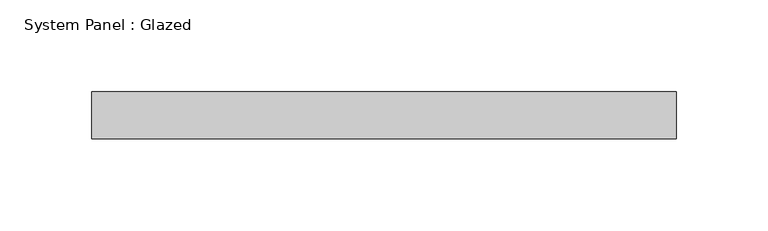
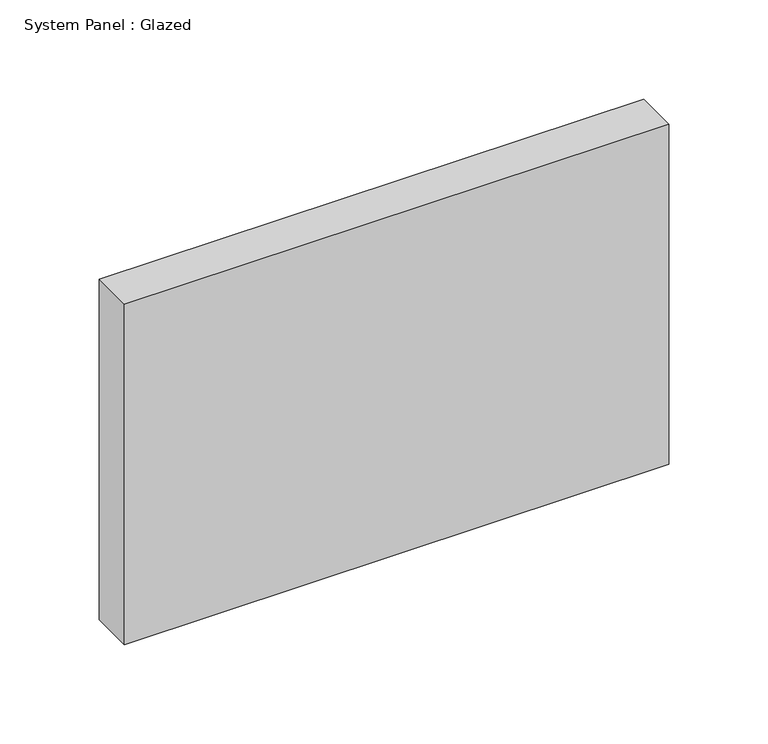
"""IFC4 building model written with IfcOpenShell, lengths in millimetres: plate geometry, System Panel : Glazed."""

from ifc_helpers import new_model, si_unit, origin, origin_with_axes, place, context, project, spatial, polyline, outline, extrude, source, transform, mapped, element, save


def system_panel_glazed_85504cb8(model_context):
    return source(origin(), model_context, "Body", "SweptSolid", [
        extrude(outline(polyline([(158.75, -44.45), (-158.75, -44.45), (-158.75, -19.05), (158.75, -19.05), (158.75, -44.45)])), origin_with_axes(), (0.0, 0.0, 1.0), 209.55),
    ])


if __name__ == "__main__":
    model = new_model("IFC4")
    model_context = context("Model", 3, world=origin())
    ifc_project = project(units=[si_unit("LENGTHUNIT", "METRE", prefix="MILLI")], contexts=[model_context])
    site = spatial("IfcSite", under=ifc_project)
    building = spatial("IfcBuilding", under=site)
    placement = place(None, origin())
    system_panel_glazed_shape = system_panel_glazed_85504cb8(model_context)
    element("IfcPlate", 1, ObjectType="System Panel : Glazed", at=placement, inside=building, context=model_context, shape_type="MappedRepresentation", body=[
        mapped(system_panel_glazed_shape, transform((0.0, 0.0, 0.0), x_axis=(1.0, 0.0, 0.0), y_axis=(0.0, 1.0, 0.0), z_axis=(0.0, 0.0, 1.0))),
    ])
    save(model, "model.ifc")
